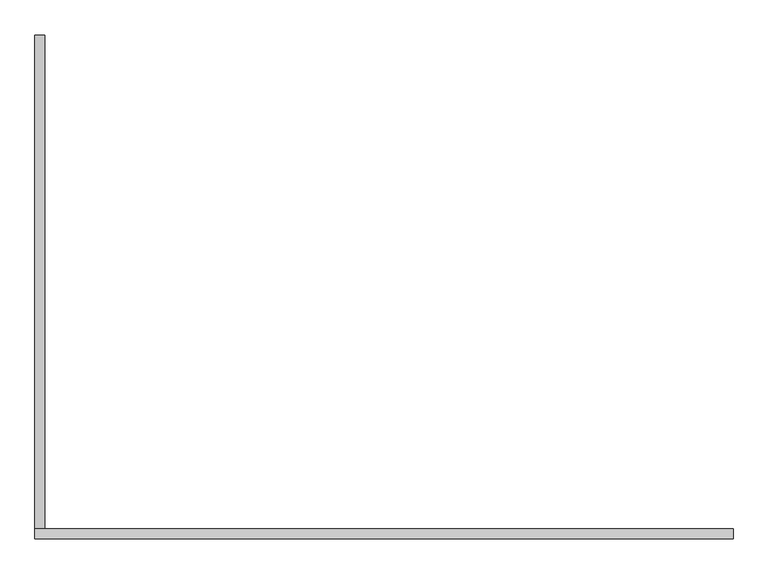
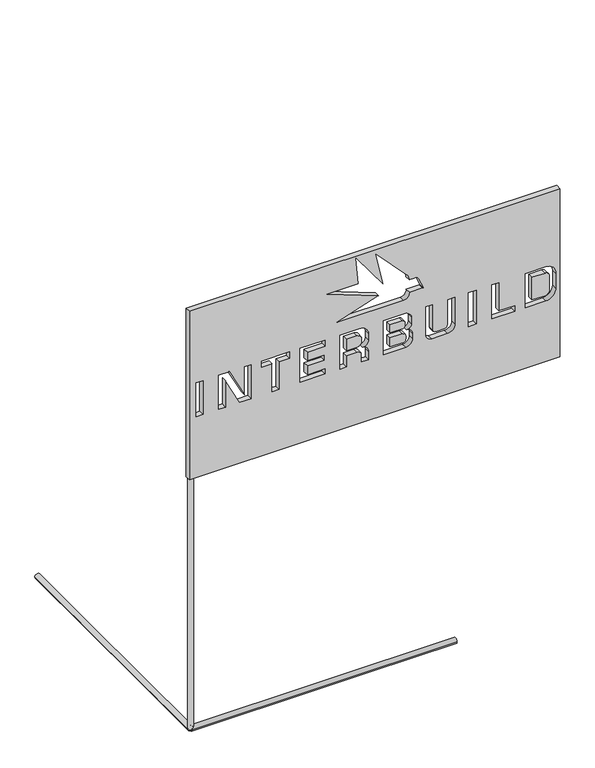
"""IFC4 building model written with IfcOpenShell, lengths in millimetres: proxy geometry."""

from ifc_helpers import new_model, si_unit, point, frame, frame_2d, origin, origin_with_axes, origin_2d, place, context, project, spatial, polyline, circle_curve, trimmed, segment, composite_curve, outline, extrude, source, transform, mapped, element, save
from ifc_brep_helpers import plane_surface, cylinder_surface, revolved_surface, advanced_brep


def generic_models_8f76d0b7(model_context):
    return source(origin(), model_context, "Body", "SolidModel", [
        advanced_brep(
        [(1388.375, -10.0, 1671.7827288), (-10.0, -10.0, 1671.7827288), (-10.0, -10.0, 1000.0), (1388.375, -10.0, 1000.0), (40.9655371, -10.0, 1242.4863013), (15.9655371, -10.0, 1242.4863013), (15.9655371, -10.0, 1377.4863013), (40.9655371, -10.0, 1377.4863013), (100.9655371, -10.0, 1377.4863013), (140.9655371, -10.0, 1377.4863013), (197.7143496, -10.0, 1266.1104858), (197.7143496, -10.0, 1377.4863013), (222.7143496, -10.0, 1377.4863013), (222.7143496, -10.0, 1242.4863013), (179.4657093, -10.0, 1242.4863013), (125.9655371, -10.0, 1347.4863013), (125.9655371, -10.0, 1242.4863013), (100.9655371, -10.0, 1242.4863013), (302.7143496, -10.0, 1352.4863013), (262.7143496, -10.0, 1352.4863013), (262.7143496, -10.0, 1377.4863013), (367.7143496, -10.0, 1377.4863013), (367.7143496, -10.0, 1352.4863013), (327.7143496, -10.0, 1352.4863013), (327.7143496, -10.0, 1242.4863013), (302.7143496, -10.0, 1242.4863013), (407.7143496, -10.0, 1242.4863013), (407.7143496, -10.0, 1377.4863013), (502.7143496, -10.0, 1377.4863013), (502.7143496, -10.0, 1352.4863013), (434.9543373, -10.0, 1352.4863013), (434.9543373, -10.0, 1319.1489383), (498.1533183, -10.0, 1319.1489383), (498.1533183, -10.0, 1299.1489383), (434.9543373, -10.0, 1299.1489383), (434.9543373, -10.0, 1262.4863013), (437.7143496, -10.0, 1262.4863013), (502.7143496, -10.0, 1262.4863013), (502.7143496, -10.0, 1242.4863013), (557.7143496, -10.0, 1377.4863013), (632.7143496, -10.0, 1377.4863013), (666.1558667, -10.0, 1347.375424), (666.1558667, -10.0, 1321.1926642), (643.673873, -10.0, 1298.7106705), (666.1558667, -10.0, 1276.2286767), (666.1558667, -10.0, 1242.4863013), (640.3920191, -10.0, 1242.4863013), (640.3920191, -10.0, 1269.8086318), (622.7143496, -10.0, 1287.4863013), (582.7143496, -10.0, 1287.4863013), (582.7143496, -10.0, 1242.4863013), (557.7143496, -10.0, 1242.4863013), (722.7143496, -10.0, 1377.4863013), (806.5597144, -10.0, 1377.4863013), (828.8029743, -10.0, 1355.2430413), (828.8029743, -10.0, 1329.4374449), (810.1467152, -10.0, 1310.7811857), (832.6190887, -10.0, 1288.3088121), (832.6190887, -10.0, 1268.5456757), (806.5597144, -10.0, 1242.4863013), (722.7143496, -10.0, 1242.4863013), (1042.6190887, -10.0, 1377.4863013), (1072.6190887, -10.0, 1377.4863013), (1072.6190887, -10.0, 1242.4863013), (1042.6190887, -10.0, 1242.4863013), (1132.6190887, -10.0, 1377.4863013), (1157.6190887, -10.0, 1377.4863013), (1157.6190887, -10.0, 1264.3191368), (1217.6190887, -10.0, 1264.3191368), (1217.6190887, -10.0, 1242.4863013), (1132.6190887, -10.0, 1242.4863013), (1257.6190887, -10.0, 1377.4863013), (1335.1264524, -10.0, 1377.4863013), (1373.0353586, -10.0, 1339.5773951), (1373.0353586, -10.0, 1280.3952075), (1335.1264524, -10.0, 1242.4863013), (1257.6190887, -10.0, 1242.4863013), (882.7143496, -10.0, 1264.3191368), (882.7143496, -10.0, 1377.4863013), (907.7143496, -10.0, 1377.4863013), (907.7143496, -10.0, 1276.4385331), (919.8337459, -10.0, 1264.3191368), (952.4844241, -10.0, 1264.3191368), (964.9187433, -10.0, 1276.7534561), (964.9187433, -10.0, 1377.4863013), (992.7143496, -10.0, 1377.4863013), (992.7143496, -10.0, 1271.0316803), (964.1689706, -10.0, 1242.4863013), (904.5471851, -10.0, 1242.4863013), (547.6657247, -10.0, 1432.3031376), (704.5900499, -10.0, 1483.2909416), (508.5381604, -10.0, 1558.548211), (628.5381604, -10.0, 1558.548211), (619.3333215, -10.0, 1663.7600003), (722.7143496, -10.0, 1521.4682223), (694.6462713, -10.0, 1653.5181484), (810.5859925, -10.0, 1529.1880192), (819.7251535, -10.0, 1506.706929), (839.7288832, -10.0, 1506.706929), (854.8880306, -10.0, 1498.725856), (872.4709314, -10.0, 1457.3031376), (869.7288832, -10.0, 1457.3031376), (819.7288832, -10.0, 1457.3031376), (797.6657247, -10.0, 1432.3031376), (1388.375, 10.0, 1671.7827288), (1388.375, 10.0, 1000.0), (-10.0, 10.0, 1000.0), (-10.0, 10.0, 1671.7827288), (40.9655371, 10.0, 1242.4863013), (40.9655371, 10.0, 1377.4863013), (15.9655371, 10.0, 1377.4863013), (15.9655371, 10.0, 1242.4863013), (100.9655371, 10.0, 1377.4863013), (100.9655371, 10.0, 1242.4863013), (125.9655371, 10.0, 1242.4863013), (125.9655371, 10.0, 1347.4863013), (179.4657093, 10.0, 1242.4863013), (222.7143496, 10.0, 1242.4863013), (222.7143496, 10.0, 1377.4863013), (197.7143496, 10.0, 1377.4863013), (197.7143496, 10.0, 1266.1104858), (140.9655371, 10.0, 1377.4863013), (302.7143496, 10.0, 1352.4863013), (302.7143496, 10.0, 1242.4863013), (327.7143496, 10.0, 1242.4863013), (327.7143496, 10.0, 1352.4863013), (367.7143496, 10.0, 1352.4863013), (367.7143496, 10.0, 1377.4863013), (262.7143496, 10.0, 1377.4863013), (262.7143496, 10.0, 1352.4863013), (407.7143496, 10.0, 1242.4863013), (502.7143496, 10.0, 1242.4863013), (502.7143496, 10.0, 1262.4863013), (437.7143496, 10.0, 1262.4863013), (434.9543373, 10.0, 1262.4863013), (434.9543373, 10.0, 1299.1489383), (498.1533183, 10.0, 1299.1489383), (498.1533183, 10.0, 1319.1489383), (434.9543373, 10.0, 1319.1489383), (434.9543373, 10.0, 1352.4863013), (502.7143496, 10.0, 1352.4863013), (502.7143496, 10.0, 1377.4863013), (407.7143496, 10.0, 1377.4863013), (557.7143496, 10.0, 1377.4863013), (557.7143496, 10.0, 1242.4863013), (582.7143496, 10.0, 1242.4863013), (582.7143496, 10.0, 1287.4863013), (622.7143496, 10.0, 1287.4863013), (640.3920191, 10.0, 1269.8086318), (640.3920191, 10.0, 1242.4863013), (666.1558667, 10.0, 1242.4863013), (666.1558667, 10.0, 1276.2286767), (643.673873, 10.0, 1298.7106705), (666.1558667, 10.0, 1321.1926642), (666.1558667, 10.0, 1347.375424), (632.7143496, 10.0, 1377.4863013), (722.7143496, 10.0, 1377.4863013), (722.7143496, 10.0, 1242.4863013), (806.5597144, 10.0, 1242.4863013), (832.6190887, 10.0, 1268.5456757), (832.6190887, 10.0, 1288.3088121), (810.1467152, 10.0, 1310.7811857), (828.8029743, 10.0, 1329.4374449), (828.8029743, 10.0, 1355.2430413), (806.5597144, 10.0, 1377.4863013), (1042.6190887, 10.0, 1377.4863013), (1042.6190887, 10.0, 1242.4863013), (1072.6190887, 10.0, 1242.4863013), (1072.6190887, 10.0, 1377.4863013), (1132.6190887, 10.0, 1377.4863013), (1132.6190887, 10.0, 1242.4863013), (1217.6190887, 10.0, 1242.4863013), (1217.6190887, 10.0, 1264.3191368), (1157.6190887, 10.0, 1264.3191368), (1157.6190887, 10.0, 1377.4863013), (1257.6190887, 10.0, 1377.4863013), (1257.6190887, 10.0, 1242.4863013), (1335.1264524, 10.0, 1242.4863013), (1373.0353586, 10.0, 1280.3952075), (1373.0353586, 10.0, 1339.5773951), (1335.1264524, 10.0, 1377.4863013), (882.7143496, 10.0, 1264.3191368), (904.5471851, 10.0, 1242.4863013), (964.1689706, 10.0, 1242.4863013), (992.7143496, 10.0, 1271.0316803), (992.7143496, 10.0, 1377.4863013), (964.9187433, 10.0, 1377.4863013), (964.9187433, 10.0, 1276.7534561), (952.4844241, 10.0, 1264.3191368), (919.8337459, 10.0, 1264.3191368), (907.7143496, 10.0, 1276.4385331), (907.7143496, 10.0, 1377.4863013), (882.7143496, 10.0, 1377.4863013), (547.6657247, 10.0, 1432.3031376), (797.6657247, 10.0, 1432.3031376), (819.7288832, 10.0, 1457.3031376), (869.7288832, 10.0, 1457.3031376), (872.4709314, 10.0, 1457.3031376), (854.8880306, 10.0, 1498.725856), (839.7288832, 10.0, 1506.706929), (819.7251535, 10.0, 1506.706929), (810.5859925, 10.0, 1529.1880192), (694.6462713, 10.0, 1653.5181484), (722.7143496, 10.0, 1521.4682223), (619.3333215, 10.0, 1663.7600003), (628.5381604, 10.0, 1558.548211), (508.5381604, 10.0, 1558.548211), (704.5900499, 10.0, 1483.2909416)],
        [
            (0, 1),
            (1, 2),
            (2, 3),
            (3, 0),
            (4, 5),
            (5, 6),
            (6, 7),
            (7, 4),
            (8, 9),
            (9, 10),
            (10, 11),
            (11, 12),
            (12, 13),
            (13, 14),
            (14, 15),
            (15, 16),
            (16, 17),
            (17, 8),
            (18, 19),
            (19, 20),
            (20, 21),
            (21, 22),
            (22, 23),
            (23, 24),
            (24, 25),
            (25, 18),
            (26, 27),
            (27, 28),
            (28, 29),
            (29, 30),
            (30, 31),
            (31, 32),
            (32, 33),
            (33, 34),
            (34, 35),
            (35, 36),
            (36, 37),
            (37, 38),
            (38, 26),
            (39, 40),
            (40, 41, circle_curve(frame((633.6407815, -10.0, 1344.8894859), z_axis=(0.0, 1.0, 0.0), x_axis=(1.0, 0.0, 0.0)), 32.6099778)),
            (41, 42),
            (42, 43, circle_curve(frame((643.673873, -10.0, 1321.1926642), z_axis=(0.0, 1.0, 0.0), x_axis=(1.0, 0.0, 0.0)), 22.4819938)),
            (43, 44, circle_curve(frame((643.673873, -10.0, 1276.2286767), z_axis=(0.0, 1.0, 0.0), x_axis=(1.0, 0.0, 0.0)), 22.4819938)),
            (44, 45),
            (45, 46),
            (46, 47),
            (47, 48, circle_curve(frame((622.7143496, -10.0, 1269.8086318), z_axis=(0.0, -1.0, 0.0), x_axis=(1.0, 0.0, 0.0)), 17.6776695)),
            (48, 49),
            (49, 50),
            (50, 51),
            (51, 39),
            (52, 53),
            (53, 54, circle_curve(frame((801.3011934, -10.0, 1349.9845203), z_axis=(0.0, 1.0, 0.0), x_axis=(1.0, 0.0, 0.0)), 28.0)),
            (54, 55),
            (55, 56, circle_curve(frame((810.1467152, -10.0, 1329.4374449), z_axis=(0.0, 1.0, 0.0), x_axis=(1.0, 0.0, 0.0)), 18.6562592)),
            (56, 57, circle_curve(frame((810.1467152, -10.0, 1288.3088121), z_axis=(0.0, 1.0, 0.0), x_axis=(1.0, 0.0, 0.0)), 22.4723736)),
            (57, 58),
            (58, 59, circle_curve(frame((806.5597144, -10.0, 1268.5456757), z_axis=(0.0, 1.0, 0.0), x_axis=(1.0, 0.0, 0.0)), 26.0593744)),
            (59, 60),
            (60, 52),
            (61, 62),
            (62, 63),
            (63, 64),
            (64, 61),
            (65, 66),
            (66, 67),
            (67, 68),
            (68, 69),
            (69, 70),
            (70, 65),
            (71, 72),
            (72, 73, circle_curve(frame((1335.1264524, -10.0, 1339.5773951), z_axis=(0.0, 1.0, 0.0), x_axis=(1.0, 0.0, 0.0)), 37.9089062)),
            (73, 74),
            (74, 75, circle_curve(frame((1335.1264524, -10.0, 1280.3952075), z_axis=(0.0, 1.0, 0.0), x_axis=(1.0, 0.0, 0.0)), 37.9089062)),
            (75, 76),
            (76, 71),
            (77, 78),
            (78, 79),
            (79, 80),
            (80, 81, circle_curve(frame((919.8337459, -10.0, 1276.4385331), z_axis=(0.0, -1.0, 0.0), x_axis=(1.0, 0.0, 0.0)), 12.1193963)),
            (81, 82),
            (82, 83, circle_curve(frame((952.4844241, -10.0, 1276.7534561), z_axis=(0.0, -1.0, 0.0), x_axis=(1.0, 0.0, 0.0)), 12.4343192)),
            (83, 84),
            (84, 85),
            (85, 86),
            (86, 87, circle_curve(frame((964.1689706, -10.0, 1271.0316803), z_axis=(0.0, 1.0, 0.0), x_axis=(1.0, 0.0, 0.0)), 28.545379)),
            (87, 88),
            (88, 77, circle_curve(frame((904.5471851, -10.0, 1264.3191368), z_axis=(0.0, 1.0, 0.0), x_axis=(1.0, 0.0, 0.0)), 21.8328355)),
            (89, 90),
            (90, 91),
            (91, 92),
            (92, 93),
            (93, 94),
            (94, 95),
            (95, 96),
            (96, 97, circle_curve(frame((785.6839251, -10.0, 1505.9664655), z_axis=(0.0, 1.0, 0.0), x_axis=(1.0, 0.0, 0.0)), 34.0492807)),
            (97, 98),
            (98, 99, circle_curve(frame((839.7288832, -10.0, 1488.3198478), z_axis=(0.0, 1.0, 0.0), x_axis=(1.0, 0.0, 0.0)), 18.3870812)),
            (99, 100),
            (100, 101),
            (101, 102),
            (102, 103, circle_curve(frame((797.6657247, -10.0, 1454.5387968), z_axis=(0.0, 1.0, 0.0), x_axis=(1.0, 0.0, 0.0)), 22.2356593)),
            (103, 89),
            (104, 105),
            (105, 106),
            (106, 107),
            (107, 104),
            (108, 109),
            (109, 110),
            (110, 111),
            (111, 108),
            (112, 113),
            (113, 114),
            (114, 115),
            (115, 116),
            (116, 117),
            (117, 118),
            (118, 119),
            (119, 120),
            (120, 121),
            (121, 112),
            (122, 123),
            (123, 124),
            (124, 125),
            (125, 126),
            (126, 127),
            (127, 128),
            (128, 129),
            (129, 122),
            (130, 131),
            (131, 132),
            (132, 133),
            (133, 134),
            (134, 135),
            (135, 136),
            (136, 137),
            (137, 138),
            (138, 139),
            (139, 140),
            (140, 141),
            (141, 142),
            (142, 130),
            (143, 144),
            (144, 145),
            (145, 146),
            (146, 147),
            (147, 148, circle_curve(frame((622.7143496, 10.0, 1269.8086318), z_axis=(0.0, 1.0, 0.0), x_axis=(1.0, 0.0, 0.0)), 17.6776695)),
            (148, 149),
            (149, 150),
            (150, 151),
            (151, 152, circle_curve(frame((643.673873, 10.0, 1276.2286767), z_axis=(0.0, -1.0, 0.0), x_axis=(1.0, 0.0, 0.0)), 22.4819938)),
            (152, 153, circle_curve(frame((643.673873, 10.0, 1321.1926642), z_axis=(0.0, -1.0, 0.0), x_axis=(1.0, 0.0, 0.0)), 22.4819938)),
            (153, 154),
            (154, 155, circle_curve(frame((633.6407815, 10.0, 1344.8894859), z_axis=(0.0, -1.0, 0.0), x_axis=(1.0, 0.0, 0.0)), 32.6099778)),
            (155, 143),
            (156, 157),
            (157, 158),
            (158, 159, circle_curve(frame((806.5597144, 10.0, 1268.5456757), z_axis=(0.0, -1.0, 0.0), x_axis=(1.0, 0.0, 0.0)), 26.0593744)),
            (159, 160),
            (160, 161, circle_curve(frame((810.1467152, 10.0, 1288.3088121), z_axis=(0.0, -1.0, 0.0), x_axis=(1.0, 0.0, 0.0)), 22.4723736)),
            (161, 162, circle_curve(frame((810.1467152, 10.0, 1329.4374449), z_axis=(0.0, -1.0, 0.0), x_axis=(1.0, 0.0, 0.0)), 18.6562592)),
            (162, 163),
            (163, 164, circle_curve(frame((801.3011934, 10.0, 1349.9845203), z_axis=(0.0, -1.0, 0.0), x_axis=(1.0, 0.0, 0.0)), 28.0)),
            (164, 156),
            (165, 166),
            (166, 167),
            (167, 168),
            (168, 165),
            (169, 170),
            (170, 171),
            (171, 172),
            (172, 173),
            (173, 174),
            (174, 169),
            (175, 176),
            (176, 177),
            (177, 178, circle_curve(frame((1335.1264524, 10.0, 1280.3952075), z_axis=(0.0, -1.0, 0.0), x_axis=(1.0, 0.0, 0.0)), 37.9089062)),
            (178, 179),
            (179, 180, circle_curve(frame((1335.1264524, 10.0, 1339.5773951), z_axis=(0.0, -1.0, 0.0), x_axis=(1.0, 0.0, 0.0)), 37.9089062)),
            (180, 175),
            (181, 182, circle_curve(frame((904.5471851, 10.0, 1264.3191368), z_axis=(0.0, -1.0, 0.0), x_axis=(1.0, 0.0, 0.0)), 21.8328355)),
            (182, 183),
            (183, 184, circle_curve(frame((964.1689706, 10.0, 1271.0316803), z_axis=(0.0, -1.0, 0.0), x_axis=(1.0, 0.0, 0.0)), 28.545379)),
            (184, 185),
            (185, 186),
            (186, 187),
            (187, 188, circle_curve(frame((952.4844241, 10.0, 1276.7534561), z_axis=(0.0, 1.0, 0.0), x_axis=(1.0, 0.0, 0.0)), 12.4343192)),
            (188, 189),
            (189, 190, circle_curve(frame((919.8337459, 10.0, 1276.4385331), z_axis=(0.0, 1.0, 0.0), x_axis=(1.0, 0.0, 0.0)), 12.1193963)),
            (190, 191),
            (191, 192),
            (192, 181),
            (193, 194),
            (194, 195, circle_curve(frame((797.6657247, 10.0, 1454.5387968), z_axis=(0.0, -1.0, 0.0), x_axis=(1.0, 0.0, 0.0)), 22.2356593)),
            (195, 196),
            (196, 197),
            (197, 198),
            (198, 199, circle_curve(frame((839.7288832, 10.0, 1488.3198478), z_axis=(0.0, -1.0, 0.0), x_axis=(1.0, 0.0, 0.0)), 18.3870812)),
            (199, 200),
            (200, 201, circle_curve(frame((785.6839251, 10.0, 1505.9664655), z_axis=(0.0, -1.0, 0.0), x_axis=(1.0, 0.0, 0.0)), 34.0492807)),
            (201, 202),
            (202, 203),
            (203, 204),
            (204, 205),
            (205, 206),
            (206, 207),
            (207, 193),
            (0, 104),
            (107, 1),
            (106, 2),
            (105, 3),
            (4, 108),
            (111, 5),
            (110, 6),
            (109, 7),
            (8, 112),
            (121, 9),
            (120, 10),
            (119, 11),
            (118, 12),
            (117, 13),
            (116, 14),
            (115, 15),
            (114, 16),
            (113, 17),
            (18, 122),
            (129, 19),
            (128, 20),
            (127, 21),
            (126, 22),
            (125, 23),
            (124, 24),
            (123, 25),
            (26, 130),
            (142, 27),
            (141, 28),
            (140, 29),
            (139, 30),
            (138, 31),
            (137, 32),
            (136, 33),
            (135, 34),
            (134, 35),
            (133, 36),
            (132, 37),
            (131, 38),
            (39, 143),
            (155, 40),
            (154, 41),
            (153, 42),
            (152, 43),
            (151, 44),
            (150, 45),
            (149, 46),
            (148, 47),
            (147, 48),
            (146, 49),
            (145, 50),
            (144, 51),
            (52, 156),
            (164, 53),
            (163, 54),
            (162, 55),
            (161, 56),
            (160, 57),
            (159, 58),
            (158, 59),
            (157, 60),
            (61, 165),
            (168, 62),
            (167, 63),
            (166, 64),
            (65, 169),
            (174, 66),
            (173, 67),
            (172, 68),
            (171, 69),
            (170, 70),
            (71, 175),
            (180, 72),
            (179, 73),
            (178, 74),
            (177, 75),
            (176, 76),
            (77, 181),
            (192, 78),
            (191, 79),
            (190, 80),
            (189, 81),
            (188, 82),
            (187, 83),
            (186, 84),
            (185, 85),
            (184, 86),
            (183, 87),
            (182, 88),
            (89, 193),
            (207, 90),
            (206, 91),
            (205, 92),
            (204, 93),
            (203, 94),
            (202, 95),
            (201, 96),
            (200, 97),
            (199, 98),
            (198, 99),
            (197, 100),
            (196, 101),
            (195, 102),
            (194, 103),
        ],
        [
            plane_surface(frame((-5e-07, -10.0, 1671.7827288), z_axis=(0.0, -1.0, 0.0), x_axis=(-1.0, 0.0, 0.0))),
            plane_surface(frame((-5e-07, 10.0, 1671.7827288), z_axis=(0.0, 1.0, 0.0), x_axis=(1.0, 0.0, 0.0))),
            plane_surface(frame((1388.375, -10.0, 1671.7827288), z_axis=(0.0, 0.0, 1.0), x_axis=(0.0, 1.0, 0.0))),
            plane_surface(frame((-10.0, -10.0, 1671.7827288), z_axis=(-1.0, 0.0, 0.0), x_axis=(0.0, 1.0, 0.0))),
            plane_surface(frame((-10.0, -10.0, 1000.0), z_axis=(0.0, 0.0, -1.0), x_axis=(0.0, 1.0, 0.0))),
            plane_surface(frame((1388.375, -10.0, 1000.0), z_axis=(1.0, 0.0, 0.0), x_axis=(0.0, 1.0, 0.0))),
            plane_surface(frame((40.9655371, -10.0, 1242.4863013), z_axis=(0.0, 0.0, 1.0), x_axis=(0.0, 1.0, 0.0))),
            plane_surface(frame((15.9655371, -10.0, 1242.4863013), z_axis=(1.0, 0.0, 0.0), x_axis=(0.0, 1.0, 0.0))),
            plane_surface(frame((15.9655371, -10.0, 1377.4863013), z_axis=(0.0, 0.0, -1.0), x_axis=(0.0, 1.0, 0.0))),
            plane_surface(frame((40.9655371, -10.0, 1377.4863013), z_axis=(-1.0, 0.0, 0.0), x_axis=(0.0, 1.0, 0.0))),
            plane_surface(frame((100.9655371, -10.0, 1377.4863013), z_axis=(0.0, 0.0, -1.0), x_axis=(0.0, 1.0, 0.0))),
            plane_surface(frame((140.9655371, -10.0, 1377.4863013), z_axis=(-0.8910065241883701, 0.0, -0.4539904997395426), x_axis=(0.0, 1.0, 0.0))),
            plane_surface(frame((197.7143496, -10.0, 1266.1104858), z_axis=(1.0, 0.0, 0.0), x_axis=(0.0, 1.0, 0.0))),
            plane_surface(frame((197.7143496, -10.0, 1377.4863013), z_axis=(0.0, 0.0, -1.0), x_axis=(0.0, 1.0, 0.0))),
            plane_surface(frame((222.7143496, -10.0, 1377.4863013), z_axis=(-1.0, 0.0, 0.0), x_axis=(0.0, 1.0, 0.0))),
            plane_surface(frame((222.7143496, -10.0, 1242.4863013), z_axis=(0.0, 0.0, 1.0), x_axis=(0.0, 1.0, 0.0))),
            plane_surface(frame((179.4657093, -10.0, 1242.4863013), z_axis=(0.8910065241883688, 0.0, 0.45399049973954503), x_axis=(0.0, 1.0, 0.0))),
            plane_surface(frame((125.9655371, -10.0, 1347.4863013), z_axis=(-1.0, 0.0, 0.0), x_axis=(0.0, 1.0, 0.0))),
            plane_surface(frame((125.9655371, -10.0, 1242.4863013), z_axis=(0.0, 0.0, 1.0), x_axis=(0.0, 1.0, 0.0))),
            plane_surface(frame((100.9655371, -10.0, 1242.4863013), z_axis=(1.0, 0.0, 0.0), x_axis=(0.0, 1.0, 0.0))),
            plane_surface(frame((302.7143496, -10.0, 1352.4863013), z_axis=(0.0, 0.0, 1.0), x_axis=(0.0, 1.0, 0.0))),
            plane_surface(frame((262.7143496, -10.0, 1352.4863013), z_axis=(1.0, 0.0, 0.0), x_axis=(0.0, 1.0, 0.0))),
            plane_surface(frame((262.7143496, -10.0, 1377.4863013), z_axis=(0.0, 0.0, -1.0), x_axis=(0.0, 1.0, 0.0))),
            plane_surface(frame((367.7143496, -10.0, 1377.4863013), z_axis=(-1.0, 0.0, 0.0), x_axis=(0.0, 1.0, 0.0))),
            plane_surface(frame((367.7143496, -10.0, 1352.4863013), z_axis=(0.0, 0.0, 1.0), x_axis=(0.0, 1.0, 0.0))),
            plane_surface(frame((327.7143496, -10.0, 1352.4863013), z_axis=(-1.0, 0.0, 0.0), x_axis=(0.0, 1.0, 0.0))),
            plane_surface(frame((327.7143496, -10.0, 1242.4863013), z_axis=(0.0, 0.0, 1.0), x_axis=(0.0, 1.0, 0.0))),
            plane_surface(frame((302.7143496, -10.0, 1242.4863013), z_axis=(1.0, 0.0, 0.0), x_axis=(0.0, 1.0, 0.0))),
            plane_surface(frame((407.7143496, -10.0, 1242.4863013), z_axis=(1.0, 0.0, 0.0), x_axis=(0.0, 1.0, 0.0))),
            plane_surface(frame((407.7143496, -10.0, 1377.4863013), z_axis=(0.0, 0.0, -1.0), x_axis=(0.0, 1.0, 0.0))),
            plane_surface(frame((502.7143496, -10.0, 1377.4863013), z_axis=(-1.0, 0.0, 0.0), x_axis=(0.0, 1.0, 0.0))),
            plane_surface(frame((502.7143496, -10.0, 1352.4863013), z_axis=(0.0, 0.0, 1.0), x_axis=(0.0, 1.0, 0.0))),
            plane_surface(frame((434.9543373, -10.0, 1352.4863013), z_axis=(-1.0, 0.0, 0.0), x_axis=(0.0, 1.0, 0.0))),
            plane_surface(frame((434.9543373, -10.0, 1319.1489383), z_axis=(0.0, 0.0, -1.0), x_axis=(0.0, 1.0, 0.0))),
            plane_surface(frame((498.1533183, -10.0, 1319.1489383), z_axis=(-1.0, 0.0, 0.0), x_axis=(0.0, 1.0, 0.0))),
            plane_surface(frame((498.1533183, -10.0, 1299.1489383), z_axis=(0.0, 0.0, 1.0), x_axis=(0.0, 1.0, 0.0))),
            plane_surface(frame((434.9543373, -10.0, 1299.1489383), z_axis=(-1.0, 0.0, 0.0), x_axis=(0.0, 1.0, 0.0))),
            plane_surface(frame((434.9543373, -10.0, 1262.4863013), z_axis=(0.0, 0.0, -1.0), x_axis=(0.0, 1.0, 0.0))),
            plane_surface(frame((437.7143496, -10.0, 1262.4863013), z_axis=(0.0, 0.0, -1.0), x_axis=(0.0, 1.0, 0.0))),
            plane_surface(frame((502.7143496, -10.0, 1262.4863013), z_axis=(-1.0, 0.0, 0.0), x_axis=(0.0, 1.0, 0.0))),
            plane_surface(frame((502.7143496, -10.0, 1242.4863013), z_axis=(0.0, 0.0, 1.0), x_axis=(0.0, 1.0, 0.0))),
            plane_surface(frame((557.7143496, -10.0, 1377.4863013), z_axis=(0.0, 0.0, -1.0), x_axis=(0.0, 1.0, 0.0))),
            revolved_surface(polyline([(666.2507593, 10.0, 1344.8894859), (666.2507593, -10.0, 1344.8894859)]), (633.6407815, 0.0, 1344.8894859), (0.0, 1.0, 0.0)),
            plane_surface(frame((666.1558667, -10.0, 1347.375424), z_axis=(-1.0, 0.0, 0.0), x_axis=(0.0, 1.0, 0.0))),
            revolved_surface(polyline([(666.1558668, 10.0, 1321.1926642), (666.1558668, -10.0, 1321.1926642)]), (643.673873, 0.0, 1321.1926642), (0.0, 1.0, 0.0)),
            revolved_surface(polyline([(666.1558668, 10.0, 1276.2286767), (666.1558668, -10.0, 1276.2286767)]), (643.673873, 0.0, 1276.2286767), (0.0, 1.0, 0.0)),
            plane_surface(frame((666.1558667, -10.0, 1276.2286767), z_axis=(-1.0, 0.0, 0.0), x_axis=(0.0, 1.0, 0.0))),
            plane_surface(frame((666.1558667, -10.0, 1242.4863013), z_axis=(0.0, 0.0, 1.0), x_axis=(0.0, 1.0, 0.0))),
            plane_surface(frame((640.3920191, -10.0, 1242.4863013), z_axis=(1.0, 0.0, 0.0), x_axis=(0.0, 1.0, 0.0))),
            cylinder_surface(frame((622.7143496, 0.0, 1269.8086318), z_axis=(0.0, -1.0, 0.0), x_axis=(1.0, 0.0, 0.0)), 17.6776695),
            plane_surface(frame((622.7143496, -10.0, 1287.4863013), z_axis=(0.0, 0.0, 1.0), x_axis=(0.0, 1.0, 0.0))),
            plane_surface(frame((582.7143496, -10.0, 1287.4863013), z_axis=(-1.0, 0.0, 0.0), x_axis=(0.0, 1.0, 0.0))),
            plane_surface(frame((582.7143496, -10.0, 1242.4863013), z_axis=(0.0, 0.0, 1.0), x_axis=(0.0, 1.0, 0.0))),
            plane_surface(frame((557.7143496, -10.0, 1242.4863013), z_axis=(1.0, 0.0, 0.0), x_axis=(0.0, 1.0, 0.0))),
            plane_surface(frame((722.7143496, -10.0, 1377.4863013), z_axis=(0.0, 0.0, -1.0), x_axis=(0.0, 1.0, 0.0))),
            revolved_surface(polyline([(829.3011934, 10.0, 1349.9845203), (829.3011934, -10.0, 1349.9845203)]), (801.3011934, 0.0, 1349.9845203), (0.0, 1.0, 0.0)),
            plane_surface(frame((828.8029743, -10.0, 1355.2430413), z_axis=(-1.0, 0.0, 0.0), x_axis=(0.0, 1.0, 0.0))),
            revolved_surface(polyline([(828.8029744, 10.0, 1329.4374449), (828.8029744, -10.0, 1329.4374449)]), (810.1467152, 0.0, 1329.4374449), (0.0, 1.0, 0.0)),
            revolved_surface(polyline([(832.6190888, 10.0, 1288.3088121), (832.6190888, -10.0, 1288.3088121)]), (810.1467152, 0.0, 1288.3088121), (0.0, 1.0, 0.0)),
            plane_surface(frame((832.6190887, -10.0, 1288.3088121), z_axis=(-1.0, 0.0, 0.0), x_axis=(0.0, 1.0, 0.0))),
            revolved_surface(polyline([(832.6190888, 10.0, 1268.5456757), (832.6190888, -10.0, 1268.5456757)]), (806.5597144, 0.0, 1268.5456757), (0.0, 1.0, 0.0)),
            plane_surface(frame((806.5597144, -10.0, 1242.4863013), z_axis=(0.0, 0.0, 1.0), x_axis=(0.0, 1.0, 0.0))),
            plane_surface(frame((722.7143496, -10.0, 1242.4863013), z_axis=(1.0, 0.0, 0.0), x_axis=(0.0, 1.0, 0.0))),
            plane_surface(frame((1042.6190887, -10.0, 1377.4863013), z_axis=(0.0, 0.0, -1.0), x_axis=(0.0, 1.0, 0.0))),
            plane_surface(frame((1072.6190887, -10.0, 1377.4863013), z_axis=(-1.0, 0.0, 0.0), x_axis=(0.0, 1.0, 0.0))),
            plane_surface(frame((1072.6190887, -10.0, 1242.4863013), z_axis=(0.0, 0.0, 1.0), x_axis=(0.0, 1.0, 0.0))),
            plane_surface(frame((1042.6190887, -10.0, 1242.4863013), z_axis=(1.0, 0.0, 0.0), x_axis=(0.0, 1.0, 0.0))),
            plane_surface(frame((1132.6190887, -10.0, 1377.4863013), z_axis=(0.0, 0.0, -1.0), x_axis=(0.0, 1.0, 0.0))),
            plane_surface(frame((1157.6190887, -10.0, 1377.4863013), z_axis=(-1.0, 0.0, 0.0), x_axis=(0.0, 1.0, 0.0))),
            plane_surface(frame((1157.6190887, -10.0, 1264.3191368), z_axis=(0.0, 0.0, -1.0), x_axis=(0.0, 1.0, 0.0))),
            plane_surface(frame((1217.6190887, -10.0, 1264.3191368), z_axis=(-1.0, 0.0, 0.0), x_axis=(0.0, 1.0, 0.0))),
            plane_surface(frame((1217.6190887, -10.0, 1242.4863013), z_axis=(0.0, 0.0, 1.0), x_axis=(0.0, 1.0, 0.0))),
            plane_surface(frame((1132.6190887, -10.0, 1242.4863013), z_axis=(1.0, 0.0, 0.0), x_axis=(0.0, 1.0, 0.0))),
            plane_surface(frame((1257.6190887, -10.0, 1377.4863013), z_axis=(0.0, 0.0, -1.0), x_axis=(0.0, 1.0, 0.0))),
            revolved_surface(polyline([(1373.0353586, 10.0, 1339.5773951), (1373.0353586, -10.0, 1339.5773951)]), (1335.1264524, 0.0, 1339.5773951), (0.0, 1.0, 0.0)),
            plane_surface(frame((1373.0353586, -10.0, 1339.5773951), z_axis=(-1.0, 0.0, 0.0), x_axis=(0.0, 1.0, 0.0))),
            revolved_surface(polyline([(1373.0353586, 10.0, 1280.3952075), (1373.0353586, -10.0, 1280.3952075)]), (1335.1264524, 0.0, 1280.3952075), (0.0, 1.0, 0.0)),
            plane_surface(frame((1335.1264524, -10.0, 1242.4863013), z_axis=(0.0, 0.0, 1.0), x_axis=(0.0, 1.0, 0.0))),
            plane_surface(frame((1257.6190887, -10.0, 1242.4863013), z_axis=(1.0, 0.0, 0.0), x_axis=(0.0, 1.0, 0.0))),
            plane_surface(frame((882.7143496, -10.0, 1264.3191368), z_axis=(1.0, 0.0, 0.0), x_axis=(0.0, 1.0, 0.0))),
            plane_surface(frame((882.7143496, -10.0, 1377.4863013), z_axis=(0.0, 0.0, -1.0), x_axis=(0.0, 1.0, 0.0))),
            plane_surface(frame((907.7143496, -10.0, 1377.4863013), z_axis=(-1.0, 0.0, 0.0), x_axis=(0.0, 1.0, 0.0))),
            cylinder_surface(frame((919.8337459, 0.0, 1276.4385331), z_axis=(0.0, -1.0, 0.0), x_axis=(1.0, 0.0, 0.0)), 12.1193963),
            plane_surface(frame((919.8337459, -10.0, 1264.3191368), z_axis=(0.0, 0.0, -1.0), x_axis=(0.0, 1.0, 0.0))),
            cylinder_surface(frame((952.4844241, 0.0, 1276.7534561), z_axis=(0.0, -1.0, 0.0), x_axis=(1.0, 0.0, 0.0)), 12.4343192),
            plane_surface(frame((964.9187433, -10.0, 1276.7534561), z_axis=(1.0, 0.0, 0.0), x_axis=(0.0, 1.0, 0.0))),
            plane_surface(frame((964.9187433, -10.0, 1377.4863013), z_axis=(0.0, 0.0, -1.0), x_axis=(0.0, 1.0, 0.0))),
            plane_surface(frame((992.7143496, -10.0, 1377.4863013), z_axis=(-1.0, 0.0, 0.0), x_axis=(0.0, 1.0, 0.0))),
            revolved_surface(polyline([(992.7143496, 10.0, 1271.0316803), (992.7143496, -10.0, 1271.0316803)]), (964.1689706, 0.0, 1271.0316803), (0.0, 1.0, 0.0)),
            plane_surface(frame((964.1689706, -10.0, 1242.4863013), z_axis=(0.0, 0.0, 1.0), x_axis=(0.0, 1.0, 0.0))),
            revolved_surface(polyline([(926.3800206, 10.0, 1264.3191368), (926.3800206, -10.0, 1264.3191368)]), (904.5471851, 0.0, 1264.3191368), (0.0, 1.0, 0.0)),
            plane_surface(frame((547.6657247, -10.0, 1432.3031376), z_axis=(0.30901699437494645, 0.0, -0.951056516295154), x_axis=(0.0, 1.0, 0.0))),
            plane_surface(frame((704.5900499, -10.0, 1483.2909416), z_axis=(0.35836794954530254, 0.0, 0.933580426497201), x_axis=(0.0, 1.0, 0.0))),
            plane_surface(frame((508.5381604, -10.0, 1558.548211), z_axis=(0.0, 0.0, -1.0), x_axis=(0.0, 1.0, 0.0))),
            plane_surface(frame((628.5381604, -10.0, 1558.548211), z_axis=(0.9961946980917457, 0.0, 0.08715574274765722), x_axis=(0.0, 1.0, 0.0))),
            plane_surface(frame((619.3333215, -10.0, 1663.7600003), z_axis=(-0.8090169943749488, 0.0, -0.5877852522924714), x_axis=(0.0, 1.0, 0.0))),
            plane_surface(frame((722.7143496, -10.0, 1521.4682223), z_axis=(0.9781476007338065, 0.0, 0.20791169081775573), x_axis=(0.0, 1.0, 0.0))),
            plane_surface(frame((694.6462713, -10.0, 1653.5181484), z_axis=(-0.7313537016191721, 0.0, -0.6819983600624969), x_axis=(0.0, 1.0, 0.0))),
            revolved_surface(polyline([(819.7332058, 10.0, 1505.9664655), (819.7332058, -10.0, 1505.9664655)]), (785.6839251, 0.0, 1505.9664655), (0.0, 1.0, 0.0)),
            plane_surface(frame((819.7251535, -10.0, 1506.706929), z_axis=(0.0, 0.0, -1.0), x_axis=(0.0, 1.0, 0.0))),
            revolved_surface(polyline([(858.1159644, 10.0, 1488.3198478), (858.1159644, -10.0, 1488.3198478)]), (839.7288832, 0.0, 1488.3198478), (0.0, 1.0, 0.0)),
            plane_surface(frame((854.8880306, -10.0, 1498.725856), z_axis=(-0.9205048534524417, 0.0, -0.3907311284892707), x_axis=(0.0, 1.0, 0.0))),
            plane_surface(frame((872.4709314, -10.0, 1457.3031376), z_axis=(0.0, 0.0, 1.0), x_axis=(0.0, 1.0, 0.0))),
            plane_surface(frame((869.7288832, -10.0, 1457.3031376), z_axis=(0.0, 0.0, 1.0), x_axis=(0.0, 1.0, 0.0))),
            revolved_surface(polyline([(819.901384, 10.0, 1454.5387968), (819.901384, -10.0, 1454.5387968)]), (797.6657247, 0.0, 1454.5387968), (0.0, 1.0, 0.0)),
            plane_surface(frame((797.6657247, -10.0, 1432.3031376), z_axis=(0.0, 0.0, 1.0), x_axis=(0.0, 1.0, 0.0))),
        ],
        [
            (0, [[1, 2, 3, 4], [5, 6, 7, 8], [9, 10, 11, 12, 13, 14, 15, 16, 17, 18], [19, 20, 21, 22, 23, 24, 25, 26], [27, 28, 29, 30, 31, 32, 33, 34, 35, 36, 37, 38, 39], [40, 41, 42, 43, 44, 45, 46, 47, 48, 49, 50, 51, 52], [53, 54, 55, 56, 57, 58, 59, 60, 61], [62, 63, 64, 65], [66, 67, 68, 69, 70, 71], [72, 73, 74, 75, 76, 77], [78, 79, 80, 81, 82, 83, 84, 85, 86, 87, 88, 89], [90, 91, 92, 93, 94, 95, 96, 97, 98, 99, 100, 101, 102, 103, 104]]),
            (1, [[105, 106, 107, 108], [109, 110, 111, 112], [113, 114, 115, 116, 117, 118, 119, 120, 121, 122], [123, 124, 125, 126, 127, 128, 129, 130], [131, 132, 133, 134, 135, 136, 137, 138, 139, 140, 141, 142, 143], [144, 145, 146, 147, 148, 149, 150, 151, 152, 153, 154, 155, 156], [157, 158, 159, 160, 161, 162, 163, 164, 165], [166, 167, 168, 169], [170, 171, 172, 173, 174, 175], [176, 177, 178, 179, 180, 181], [182, 183, 184, 185, 186, 187, 188, 189, 190, 191, 192, 193], [194, 195, 196, 197, 198, 199, 200, 201, 202, 203, 204, 205, 206, 207, 208]]),
            (2, [[-1, 209, -108, 210]]),
            (3, [[-2, -210, -107, 211]]),
            (4, [[-3, -211, -106, 212]]),
            (5, [[-4, -212, -105, -209]]),
            (6, [[-5, 213, -112, 214]]),
            (7, [[-6, -214, -111, 215]]),
            (8, [[-7, -215, -110, 216]]),
            (9, [[-8, -216, -109, -213]]),
            (10, [[-9, 217, -122, 218]]),
            (11, [[-10, -218, -121, 219]]),
            (12, [[-11, -219, -120, 220]]),
            (13, [[-12, -220, -119, 221]]),
            (14, [[-13, -221, -118, 222]]),
            (15, [[-14, -222, -117, 223]]),
            (16, [[-15, -223, -116, 224]]),
            (17, [[-16, -224, -115, 225]]),
            (18, [[-17, -225, -114, 226]]),
            (19, [[-18, -226, -113, -217]]),
            (20, [[-19, 227, -130, 228]]),
            (21, [[-20, -228, -129, 229]]),
            (22, [[-21, -229, -128, 230]]),
            (23, [[-22, -230, -127, 231]]),
            (24, [[-23, -231, -126, 232]]),
            (25, [[-24, -232, -125, 233]]),
            (26, [[-25, -233, -124, 234]]),
            (27, [[-26, -234, -123, -227]]),
            (28, [[-27, 235, -143, 236]]),
            (29, [[-28, -236, -142, 237]]),
            (30, [[-29, -237, -141, 238]]),
            (31, [[-30, -238, -140, 239]]),
            (32, [[-31, -239, -139, 240]]),
            (33, [[-32, -240, -138, 241]]),
            (34, [[-33, -241, -137, 242]]),
            (35, [[-34, -242, -136, 243]]),
            (36, [[-35, -243, -135, 244]]),
            (37, [[-36, -244, -134, 245]]),
            (38, [[-37, -245, -133, 246]]),
            (39, [[-38, -246, -132, 247]]),
            (40, [[-39, -247, -131, -235]]),
            (41, [[-40, 248, -156, 249]]),
            (42, [[-41, -249, -155, 250]]),
            (43, [[-42, -250, -154, 251]]),
            (44, [[-43, -251, -153, 252]]),
            (45, [[-44, -252, -152, 253]]),
            (46, [[-45, -253, -151, 254]]),
            (47, [[-46, -254, -150, 255]]),
            (48, [[-47, -255, -149, 256]]),
            (49, [[-48, -256, -148, 257]]),
            (50, [[-49, -257, -147, 258]]),
            (51, [[-50, -258, -146, 259]]),
            (52, [[-51, -259, -145, 260]]),
            (53, [[-52, -260, -144, -248]]),
            (54, [[-53, 261, -165, 262]]),
            (55, [[-54, -262, -164, 263]]),
            (56, [[-55, -263, -163, 264]]),
            (57, [[-56, -264, -162, 265]]),
            (58, [[-57, -265, -161, 266]]),
            (59, [[-58, -266, -160, 267]]),
            (60, [[-59, -267, -159, 268]]),
            (61, [[-60, -268, -158, 269]]),
            (62, [[-61, -269, -157, -261]]),
            (63, [[-62, 270, -169, 271]]),
            (64, [[-63, -271, -168, 272]]),
            (65, [[-64, -272, -167, 273]]),
            (66, [[-65, -273, -166, -270]]),
            (67, [[-66, 274, -175, 275]]),
            (68, [[-67, -275, -174, 276]]),
            (69, [[-68, -276, -173, 277]]),
            (70, [[-69, -277, -172, 278]]),
            (71, [[-70, -278, -171, 279]]),
            (72, [[-71, -279, -170, -274]]),
            (73, [[-72, 280, -181, 281]]),
            (74, [[-73, -281, -180, 282]]),
            (75, [[-74, -282, -179, 283]]),
            (76, [[-75, -283, -178, 284]]),
            (77, [[-76, -284, -177, 285]]),
            (78, [[-77, -285, -176, -280]]),
            (79, [[-78, 286, -193, 287]]),
            (80, [[-79, -287, -192, 288]]),
            (81, [[-80, -288, -191, 289]]),
            (82, [[-81, -289, -190, 290]]),
            (83, [[-82, -290, -189, 291]]),
            (84, [[-83, -291, -188, 292]]),
            (85, [[-84, -292, -187, 293]]),
            (86, [[-85, -293, -186, 294]]),
            (87, [[-86, -294, -185, 295]]),
            (88, [[-87, -295, -184, 296]]),
            (89, [[-88, -296, -183, 297]]),
            (90, [[-89, -297, -182, -286]]),
            (91, [[-90, 298, -208, 299]]),
            (92, [[-91, -299, -207, 300]]),
            (93, [[-92, -300, -206, 301]]),
            (94, [[-93, -301, -205, 302]]),
            (95, [[-94, -302, -204, 303]]),
            (96, [[-95, -303, -203, 304]]),
            (97, [[-96, -304, -202, 305]]),
            (98, [[-97, -305, -201, 306]]),
            (99, [[-98, -306, -200, 307]]),
            (100, [[-99, -307, -199, 308]]),
            (101, [[-100, -308, -198, 309]]),
            (102, [[-101, -309, -197, 310]]),
            (103, [[-102, -310, -196, 311]]),
            (104, [[-103, -311, -195, 312]]),
            (105, [[-104, -312, -194, -298]]),
        ],
    ),
        advanced_brep(
        [(582.7143496, -10.0, 1307.4863013), (622.7143496, -10.0, 1307.4863013), (640.3920191, -10.0, 1325.1639708), (640.3920191, -10.0, 1334.8086318), (622.7143496, -10.0, 1352.4863013), (582.7143496, -10.0, 1352.4863013), (582.7143496, 10.0, 1307.4863013), (582.7143496, 10.0, 1352.4863013), (622.7143496, 10.0, 1352.4863013), (640.3920191, 10.0, 1334.8086318), (640.3920191, 10.0, 1325.1639708), (622.7143496, 10.0, 1307.4863013)],
        [
            (0, 1),
            (1, 2, circle_curve(frame((622.7143496, -10.0, 1325.1639708), z_axis=(0.0, -1.0, 0.0), x_axis=(1.0, 0.0, 0.0)), 17.6776695)),
            (2, 3),
            (3, 4, circle_curve(frame((622.7143496, -10.0, 1334.8086318), z_axis=(0.0, -1.0, 0.0), x_axis=(1.0, 0.0, 0.0)), 17.6776695)),
            (4, 5),
            (5, 0),
            (6, 7),
            (7, 8),
            (8, 9, circle_curve(frame((622.7143496, 10.0, 1334.8086318), z_axis=(0.0, 1.0, 0.0), x_axis=(1.0, 0.0, 0.0)), 17.6776695)),
            (9, 10),
            (10, 11, circle_curve(frame((622.7143496, 10.0, 1325.1639708), z_axis=(0.0, 1.0, 0.0), x_axis=(1.0, 0.0, 0.0)), 17.6776695)),
            (11, 6),
            (0, 6),
            (11, 1),
            (10, 2),
            (9, 3),
            (8, 4),
            (7, 5),
        ],
        [
            plane_surface(frame((-5e-07, -10.0, 1671.7827288), z_axis=(0.0, -1.0, 0.0), x_axis=(-1.0, 0.0, 0.0))),
            plane_surface(frame((-5e-07, 10.0, 1671.7827288), z_axis=(0.0, 1.0, 0.0), x_axis=(1.0, 0.0, 0.0))),
            plane_surface(frame((582.7143496, -10.0, 1307.4863013), z_axis=(0.0, 0.0, -1.0), x_axis=(0.0, 1.0, 0.0))),
            cylinder_surface(frame((622.7143496, 0.0, 1325.1639708), z_axis=(0.0, -1.0, 0.0), x_axis=(1.0, 0.0, 0.0)), 17.6776695),
            plane_surface(frame((640.3920191, -10.0, 1325.1639708), z_axis=(1.0, 0.0, 0.0), x_axis=(0.0, 1.0, 0.0))),
            cylinder_surface(frame((622.7143496, 0.0, 1334.8086318), z_axis=(0.0, -1.0, 0.0), x_axis=(1.0, 0.0, 0.0)), 17.6776695),
            plane_surface(frame((622.7143496, -10.0, 1352.4863013), z_axis=(0.0, 0.0, 1.0), x_axis=(0.0, 1.0, 0.0))),
            plane_surface(frame((582.7143496, -10.0, 1352.4863013), z_axis=(-1.0, 0.0, 0.0), x_axis=(0.0, 1.0, 0.0))),
        ],
        [
            (0, [[1, 2, 3, 4, 5, 6]]),
            (1, [[7, 8, 9, 10, 11, 12]]),
            (2, [[-1, 13, -12, 14]]),
            (3, [[-2, -14, -11, 15]]),
            (4, [[-3, -15, -10, 16]]),
            (5, [[-4, -16, -9, 17]]),
            (6, [[-5, -17, -8, 18]]),
            (7, [[-6, -18, -7, -13]]),
        ],
    ),
        advanced_brep(
        [(747.7143496, -10.0, 1320.5686635), (794.5580986, -10.0, 1320.5686635), (803.1587145, -10.0, 1329.1692793), (803.1587145, -10.0, 1343.8856855), (794.5580986, -10.0, 1352.4863013), (747.7143496, -10.0, 1352.4863013), (747.7143496, 10.0, 1320.5686635), (747.7143496, 10.0, 1352.4863013), (794.5580986, 10.0, 1352.4863013), (803.1587145, 10.0, 1343.8856855), (803.1587145, 10.0, 1329.1692793), (794.5580986, 10.0, 1320.5686635)],
        [
            (0, 1),
            (1, 2, circle_curve(frame((794.5580986, -10.0, 1329.1692793), z_axis=(0.0, -1.0, 0.0), x_axis=(1.0, 0.0, 0.0)), 8.6006159)),
            (2, 3),
            (3, 4, circle_curve(frame((794.5580986, -10.0, 1343.8856855), z_axis=(0.0, -1.0, 0.0), x_axis=(1.0, 0.0, 0.0)), 8.6006159)),
            (4, 5),
            (5, 0),
            (6, 7),
            (7, 8),
            (8, 9, circle_curve(frame((794.5580986, 10.0, 1343.8856855), z_axis=(0.0, 1.0, 0.0), x_axis=(1.0, 0.0, 0.0)), 8.6006159)),
            (9, 10),
            (10, 11, circle_curve(frame((794.5580986, 10.0, 1329.1692793), z_axis=(0.0, 1.0, 0.0), x_axis=(1.0, 0.0, 0.0)), 8.6006159)),
            (11, 6),
            (0, 6),
            (11, 1),
            (10, 2),
            (9, 3),
            (8, 4),
            (7, 5),
        ],
        [
            plane_surface(frame((-5e-07, -10.0, 1671.7827288), z_axis=(0.0, -1.0, 0.0), x_axis=(-1.0, 0.0, 0.0))),
            plane_surface(frame((-5e-07, 10.0, 1671.7827288), z_axis=(0.0, 1.0, 0.0), x_axis=(1.0, 0.0, 0.0))),
            plane_surface(frame((747.7143496, -10.0, 1320.5686635), z_axis=(0.0, 0.0, -1.0), x_axis=(0.0, 1.0, 0.0))),
            cylinder_surface(frame((794.5580986, 0.0, 1329.1692793), z_axis=(0.0, -1.0, 0.0), x_axis=(1.0, 0.0, 0.0)), 8.6006159),
            plane_surface(frame((803.1587145, -10.0, 1329.1692793), z_axis=(1.0, 0.0, 0.0), x_axis=(0.0, 1.0, 0.0))),
            cylinder_surface(frame((794.5580986, 0.0, 1343.8856855), z_axis=(0.0, -1.0, 0.0), x_axis=(1.0, 0.0, 0.0)), 8.6006159),
            plane_surface(frame((794.5580986, -10.0, 1352.4863013), z_axis=(0.0, 0.0, 1.0), x_axis=(0.0, 1.0, 0.0))),
            plane_surface(frame((747.7143496, -10.0, 1352.4863013), z_axis=(-1.0, 0.0, 0.0), x_axis=(0.0, 1.0, 0.0))),
        ],
        [
            (0, [[1, 2, 3, 4, 5, 6]]),
            (1, [[7, 8, 9, 10, 11, 12]]),
            (2, [[-1, 13, -12, 14]]),
            (3, [[-2, -14, -11, 15]]),
            (4, [[-3, -15, -10, 16]]),
            (5, [[-4, -16, -9, 17]]),
            (6, [[-5, -17, -8, 18]]),
            (7, [[-6, -18, -7, -13]]),
        ],
    ),
        advanced_brep(
        [(747.7143496, -10.0, 1300.8191928), (747.7143496, -10.0, 1264.3191368), (794.5580986, -10.0, 1264.3191368), (806.5597144, -10.0, 1276.3207526), (806.5597144, -10.0, 1288.8175771), (794.5580986, -10.0, 1300.8191928), (747.7143496, 10.0, 1300.8191928), (794.5580986, 10.0, 1300.8191928), (806.5597144, 10.0, 1288.8175771), (806.5597144, 10.0, 1276.3207526), (794.5580986, 10.0, 1264.3191368), (747.7143496, 10.0, 1264.3191368)],
        [
            (0, 1),
            (1, 2),
            (2, 3, circle_curve(frame((794.5580986, -10.0, 1276.3207526), z_axis=(0.0, -1.0, 0.0), x_axis=(1.0, 0.0, 0.0)), 12.0016158)),
            (3, 4),
            (4, 5, circle_curve(frame((794.5580986, -10.0, 1288.8175771), z_axis=(0.0, -1.0, 0.0), x_axis=(1.0, 0.0, 0.0)), 12.0016158)),
            (5, 0),
            (6, 7),
            (7, 8, circle_curve(frame((794.5580986, 10.0, 1288.8175771), z_axis=(0.0, 1.0, 0.0), x_axis=(1.0, 0.0, 0.0)), 12.0016158)),
            (8, 9),
            (9, 10, circle_curve(frame((794.5580986, 10.0, 1276.3207526), z_axis=(0.0, 1.0, 0.0), x_axis=(1.0, 0.0, 0.0)), 12.0016158)),
            (10, 11),
            (11, 6),
            (0, 6),
            (11, 1),
            (10, 2),
            (9, 3),
            (8, 4),
            (7, 5),
        ],
        [
            plane_surface(frame((-5e-07, -10.0, 1671.7827288), z_axis=(0.0, -1.0, 0.0), x_axis=(-1.0, 0.0, 0.0))),
            plane_surface(frame((-5e-07, 10.0, 1671.7827288), z_axis=(0.0, 1.0, 0.0), x_axis=(1.0, 0.0, 0.0))),
            plane_surface(frame((747.7143496, -10.0, 1300.8191928), z_axis=(-1.0, 0.0, 0.0), x_axis=(0.0, 1.0, 0.0))),
            plane_surface(frame((747.7143496, -10.0, 1264.3191368), z_axis=(0.0, 0.0, -1.0), x_axis=(0.0, 1.0, 0.0))),
            cylinder_surface(frame((794.5580986, 0.0, 1276.3207526), z_axis=(0.0, -1.0, 0.0), x_axis=(1.0, 0.0, 0.0)), 12.0016158),
            plane_surface(frame((806.5597144, -10.0, 1276.3207526), z_axis=(1.0, 0.0, 0.0), x_axis=(0.0, 1.0, 0.0))),
            cylinder_surface(frame((794.5580986, 0.0, 1288.8175771), z_axis=(0.0, -1.0, 0.0), x_axis=(1.0, 0.0, 0.0)), 12.0016158),
            plane_surface(frame((794.5580986, -10.0, 1300.8191928), z_axis=(0.0, 0.0, 1.0), x_axis=(0.0, 1.0, 0.0))),
        ],
        [
            (0, [[1, 2, 3, 4, 5, 6]]),
            (1, [[7, 8, 9, 10, 11, 12]]),
            (2, [[-1, 13, -12, 14]]),
            (3, [[-2, -14, -11, 15]]),
            (4, [[-3, -15, -10, 16]]),
            (5, [[-4, -16, -9, 17]]),
            (6, [[-5, -17, -8, 18]]),
            (7, [[-6, -18, -7, -13]]),
        ],
    ),
        advanced_brep(
        [(1282.6190887, -10.0, 1354.3191368), (1282.6190887, -10.0, 1264.3191368), (1332.6190887, -10.0, 1264.3191368), (1348.4442906, -10.0, 1280.1443387), (1348.4442906, -10.0, 1338.4939349), (1332.6190887, -10.0, 1354.3191368), (1282.6190887, 10.0, 1354.3191368), (1332.6190887, 10.0, 1354.3191368), (1348.4442906, 10.0, 1338.4939349), (1348.4442906, 10.0, 1280.1443387), (1332.6190887, 10.0, 1264.3191368), (1282.6190887, 10.0, 1264.3191368)],
        [
            (0, 1),
            (1, 2),
            (2, 3, circle_curve(frame((1332.6190887, -10.0, 1280.1443387), z_axis=(0.0, -1.0, 0.0), x_axis=(1.0, 0.0, 0.0)), 15.8252019)),
            (3, 4),
            (4, 5, circle_curve(frame((1332.6190887, -10.0, 1338.4939349), z_axis=(0.0, -1.0, 0.0), x_axis=(1.0, 0.0, 0.0)), 15.8252019)),
            (5, 0),
            (6, 7),
            (7, 8, circle_curve(frame((1332.6190887, 10.0, 1338.4939349), z_axis=(0.0, 1.0, 0.0), x_axis=(1.0, 0.0, 0.0)), 15.8252019)),
            (8, 9),
            (9, 10, circle_curve(frame((1332.6190887, 10.0, 1280.1443387), z_axis=(0.0, 1.0, 0.0), x_axis=(1.0, 0.0, 0.0)), 15.8252019)),
            (10, 11),
            (11, 6),
            (0, 6),
            (11, 1),
            (10, 2),
            (9, 3),
            (8, 4),
            (7, 5),
        ],
        [
            plane_surface(frame((-5e-07, -10.0, 1671.7827288), z_axis=(0.0, -1.0, 0.0), x_axis=(-1.0, 0.0, 0.0))),
            plane_surface(frame((-5e-07, 10.0, 1671.7827288), z_axis=(0.0, 1.0, 0.0), x_axis=(1.0, 0.0, 0.0))),
            plane_surface(frame((1282.6190887, -10.0, 1354.3191368), z_axis=(-1.0, 0.0, 0.0), x_axis=(0.0, 1.0, 0.0))),
            plane_surface(frame((1282.6190887, -10.0, 1264.3191368), z_axis=(0.0, 0.0, -1.0), x_axis=(0.0, 1.0, 0.0))),
            cylinder_surface(frame((1332.6190887, 0.0, 1280.1443387), z_axis=(0.0, -1.0, 0.0), x_axis=(1.0, 0.0, 0.0)), 15.8252019),
            plane_surface(frame((1348.4442906, -10.0, 1280.1443387), z_axis=(1.0, 0.0, 0.0), x_axis=(0.0, 1.0, 0.0))),
            cylinder_surface(frame((1332.6190887, 0.0, 1338.4939349), z_axis=(0.0, -1.0, 0.0), x_axis=(1.0, 0.0, 0.0)), 15.8252019),
            plane_surface(frame((1332.6190887, -10.0, 1354.3191368), z_axis=(0.0, 0.0, 1.0), x_axis=(0.0, 1.0, 0.0))),
        ],
        [
            (0, [[1, 2, 3, 4, 5, 6]]),
            (1, [[7, 8, 9, 10, 11, 12]]),
            (2, [[-1, 13, -12, 14]]),
            (3, [[-2, -14, -11, 15]]),
            (4, [[-3, -15, -10, 16]]),
            (5, [[-4, -16, -9, 17]]),
            (6, [[-5, -17, -8, 18]]),
            (7, [[-6, -18, -7, -13]]),
        ],
    ),
        extrude(outline(composite_curve([segment(trimmed(circle_curve(origin_2d(), 10.0), [point((-10.0, 0.0))], [point((10.0, 0.0))], False, "CARTESIAN"), True, "CONTINUOUS"), segment(trimmed(circle_curve(origin_2d(), 10.0), [point((10.0, 0.0))], [point((-10.0, 0.0))], False, "CARTESIAN"), True, "CONTINUOUS")], self_intersect=False)), frame((-5e-07, 0.0, 0.0), z_axis=(1.0, 0.0, 0.0), x_axis=(0.0, 1.0, 0.0)), (0.0, 0.0, 1.0), 1000.0000005),
        extrude(outline(composite_curve([segment(trimmed(circle_curve(frame_2d((0.0, -5e-07)), 10.0), [point((0.0, 9.9999995))], [point((0.0, -10.0000005))], False, "CARTESIAN"), True, "CONTINUOUS"), segment(trimmed(circle_curve(frame_2d((0.0, -5e-07)), 10.0), [point((0.0, -10.0000005))], [point((0.0, 9.9999995))], False, "CARTESIAN"), True, "CONTINUOUS")], self_intersect=False)), frame((0.0, 5e-07, 0.0), z_axis=(0.0, 1.0, 0.0), x_axis=(0.0, 0.0, 1.0)), (0.0, 0.0, 1.0), 999.9999995),
        extrude(outline(composite_curve([segment(trimmed(circle_curve(frame_2d((-5e-07, 5e-07)), 10.0), [point((9.9999995, 5e-07))], [point((-10.0000005, 5e-07))], False, "CARTESIAN"), True, "CONTINUOUS"), segment(trimmed(circle_curve(frame_2d((-5e-07, 5e-07)), 10.0), [point((-10.0000005, 5e-07))], [point((9.9999995, 5e-07))], False, "CARTESIAN"), True, "CONTINUOUS")], self_intersect=False)), origin_with_axes(), (0.0, 0.0, 1.0), 1000.0),
    ])


if __name__ == "__main__":
    model = new_model("IFC4")
    model_context = context("Model", 3, world=origin())
    ifc_project = project(units=[si_unit("LENGTHUNIT", "METRE", prefix="MILLI")], contexts=[model_context])
    site = spatial("IfcSite", under=ifc_project)
    building = spatial("IfcBuilding", under=site)
    placement = place(None, origin())
    generic_models_shape = generic_models_8f76d0b7(model_context)
    element("IfcBuildingElementProxy", 1, Name="Generic Models", at=placement, inside=building, context=model_context, shape_type="MappedRepresentation", body=[
        mapped(generic_models_shape, transform((0.0, 0.0, 0.0), x_axis=(1.0, 0.0, 0.0), y_axis=(0.0, 1.0, 0.0), z_axis=(0.0, 0.0, 1.0))),
    ])
    save(model, "model.ifc")
